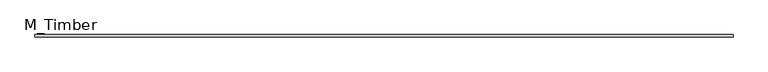
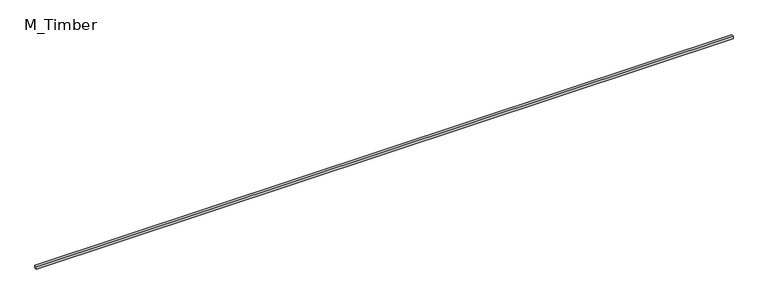
"""IFC4 building model written with IfcOpenShell, lengths in millimetres: beam geometry, M_Timber."""

import ifcopenshell
import ifcopenshell.guid

model = None  # the IFC model being written
_history = None  # IfcOwnerHistory: only IFC2X3 demands one
_inside = {}  # id of a spatial element -> (the spatial element, [elements in it])
_under = {}  # id of a project, library or spatial element -> (it, [spatial elements below it])
_declared = {}  # id of a project -> (the project, [libraries it declares])
_typed = {}  # id of a type object -> (the type object, [elements of that type])
_made_of = {}  # id of a material, layer set ... -> (it, [elements and type objects made of it])


def new_model(schema):
    """Start an empty IFC model of exactly this schema.

    Asked for "IFC4X3", IfcOpenShell would pick the latest addendum, in which some entities
    have other attributes; the version numbers below select the first issue.
    IFC2X3 requires an IfcOwnerHistory on every rooted entity: one is made here for all.
    """
    global model, _history
    if schema == "IFC4X3":
        model = ifcopenshell.file(schema_version=(4, 3, 0, 0))
    else:
        model = ifcopenshell.file(schema=schema)
    _inside.clear()
    _under.clear()
    _declared.clear()
    _typed.clear()
    _made_of.clear()
    _history = None
    if model.schema == "IFC2X3":
        org = make("IfcOrganization", Name="unknown")
        user = make(
            "IfcPersonAndOrganization",
            ThePerson=make("IfcPerson", FamilyName="unknown"),
            TheOrganization=org,
        )
        app = make(
            "IfcApplication",
            ApplicationDeveloper=org,
            Version="unknown",
            ApplicationFullName="unknown",
            ApplicationIdentifier="unknown",
        )
        _history = make(
            "IfcOwnerHistory",
            OwningUser=user,
            OwningApplication=app,
            ChangeAction="ADDED",
            CreationDate=0,
        )
    return model


def make(cls, **values):
    """One entity of the class cls with the attributes given. An attribute that is None is left unset."""
    return model.create_entity(
        cls, **{name: value for name, value in values.items() if value is not None}
    )


def rooted(cls, **values):
    """An entity with a GlobalId (a new one), such as an element, a storey or a relation."""
    return make(cls, GlobalId=ifcopenshell.guid.new(), OwnerHistory=_history, **values)


def si_unit(unit_type, name, prefix=None):
    """IfcSIUnit, for example si_unit("LENGTHUNIT", "METRE", prefix="MILLI")."""
    return make("IfcSIUnit", UnitType=unit_type, Prefix=prefix, Name=name)


def assignment(units):
    """IfcUnitAssignment: the units of a project."""
    return None if units is None else make("IfcUnitAssignment", Units=units)


def point(xyz):
    """IfcCartesianPoint."""
    return None if xyz is None else make("IfcCartesianPoint", Coordinates=xyz)


def direction(xyz):
    """IfcDirection."""
    return None if xyz is None else make("IfcDirection", DirectionRatios=xyz)


def frame(location, z_axis=None, x_axis=None):
    """IfcAxis2Placement3D, a coordinate frame: its origin and axes. An axis left out is left unset."""
    return make(
        "IfcAxis2Placement3D",
        Location=point(location),
        Axis=direction(z_axis),
        RefDirection=direction(x_axis),
    )


def origin():
    """The frame at (0, 0, 0) with its axes left unset."""
    return frame((0.0, 0.0, 0.0))


def place(relative_to, where):
    """IfcLocalPlacement: puts the frame where relative to a parent placement (None: the world)."""
    return make(
        "IfcLocalPlacement", PlacementRelTo=relative_to, RelativePlacement=where
    )


def context(
    kind, dimensions, precision=None, world=None, true_north=None, identifier=None
):
    """IfcGeometricRepresentationContext, for example the 3D "Model" context."""
    return make(
        "IfcGeometricRepresentationContext",
        ContextIdentifier=identifier,
        ContextType=kind,
        CoordinateSpaceDimension=dimensions,
        Precision=precision,
        WorldCoordinateSystem=world,
        TrueNorth=true_north,
    )


def project(units=None, contexts=None):
    """IfcProject with its units and contexts."""
    return rooted(
        "IfcProject",
        Name="project",
        RepresentationContexts=contexts,
        UnitsInContext=assignment(units),
    )


def spatial(cls, under=None, at=None, **own):
    """A site, building, storey or space (cls), placed at a placement, below another one or the project."""
    s = rooted(cls, ObjectPlacement=at, **own)
    if under is not None:
        _under.setdefault(under.id(), (under, []))[1].append(s)
    return s


def polyline(points):
    """IfcPolyline through the points."""
    return make("IfcPolyline", Points=[point(p) for p in points])


def outline(outer, holes=None, kind="AREA"):
    """IfcArbitraryClosedProfileDef: a profile drawn as a closed curve; with holes, ...WithVoids."""
    if holes is None:
        return make("IfcArbitraryClosedProfileDef", ProfileType=kind, OuterCurve=outer)
    return make(
        "IfcArbitraryProfileDefWithVoids",
        ProfileType=kind,
        OuterCurve=outer,
        InnerCurves=holes,
    )


def extrude(swept, where, along, depth):
    """IfcExtrudedAreaSolid: the profile swept, set in the frame where, extruded along a direction by depth."""
    return make(
        "IfcExtrudedAreaSolid",
        SweptArea=swept,
        Position=where,
        ExtrudedDirection=direction(along),
        Depth=depth,
    )


def shape(context_of_items, identifier, shape_type, items):
    """IfcShapeRepresentation: the items that make up one representation, for example the "Body"."""
    return make(
        "IfcShapeRepresentation",
        ContextOfItems=context_of_items,
        RepresentationIdentifier=identifier,
        RepresentationType=shape_type,
        Items=items,
    )


def source(mapping_origin, context_of_items, identifier, shape_type, items):
    """IfcRepresentationMap: a shape defined once, which mapped items show again and again."""
    return make(
        "IfcRepresentationMap",
        MappingOrigin=mapping_origin,
        MappedRepresentation=shape(context_of_items, identifier, shape_type, items),
    )


def transform(
    local_origin,
    x_axis=None,
    y_axis=None,
    z_axis=None,
    scale=None,
    scale2=None,
    scale3=None,
    uniform=True,
):
    """IfcCartesianTransformationOperator3D, or its non-uniform kind. x_axis, y_axis, z_axis: its Axis1, 2, 3."""
    if uniform:
        return make(
            "IfcCartesianTransformationOperator3D",
            Axis1=direction(x_axis),
            Axis2=direction(y_axis),
            LocalOrigin=point(local_origin),
            Scale=scale,
            Axis3=direction(z_axis),
        )
    return make(
        "IfcCartesianTransformationOperator3DnonUniform",
        Axis1=direction(x_axis),
        Axis2=direction(y_axis),
        LocalOrigin=point(local_origin),
        Scale=scale,
        Axis3=direction(z_axis),
        Scale2=scale2,
        Scale3=scale3,
    )


def mapped(mapping_source, mapping_target):
    """IfcMappedItem: shows the shape of a source again, moved by a transform."""
    return make(
        "IfcMappedItem", MappingSource=mapping_source, MappingTarget=mapping_target
    )


def made_of(thing, what):
    """Note that an element or type object is made of a material, layer set ...; save() writes the relation."""
    if what is not None:
        _made_of.setdefault(what.id(), (what, []))[1].append(thing)
    return thing


def element(
    cls,
    number,
    at=None,
    inside=None,
    cuts=None,
    type_object=None,
    material=None,
    context=None,
    identifier="Body",
    shape_type=None,
    held_by="IfcProductDefinitionShape",
    body=None,
    shapes=None,
    **own,
):
    """One element of the class cls, such as IfcWall. Its Tag is "e" and its number.

    at: its placement. inside: the storey or other place that contains it. cuts: it is an
    opening in that element (IfcRelVoidsElement). A single representation is given by context,
    identifier, shape_type and body (its items); several are given by shapes. held_by: the class
    of the entity that holds the representations. save() writes the other relations.
    """
    e = rooted(cls, Tag="e%d" % number, ObjectPlacement=at, **own)
    if body is not None:
        shapes = [shape(context, identifier, shape_type, body)]
    if shapes is not None:
        e.Representation = make(held_by, Representations=shapes)
    if inside is not None:
        _inside.setdefault(inside.id(), (inside, []))[1].append(e)
    if cuts is not None:
        rooted(
            "IfcRelVoidsElement", RelatingBuildingElement=cuts, RelatedOpeningElement=e
        )
    if type_object is not None:
        _typed.setdefault(type_object.id(), (type_object, []))[1].append(e)
    return made_of(e, material)


def aggregate(whole, parts):
    """IfcRelAggregates: a whole, such as a stair, and the parts it consists of."""
    return rooted("IfcRelAggregates", RelatingObject=whole, RelatedObjects=parts)


def save(model, path):
    """Write the relations noted so far, then the file.

    IfcRelAggregates (storeys below a building ...), IfcRelContainedInSpatialStructure (elements
    in a storey), IfcRelDefinesByType, IfcRelAssociatesMaterial and IfcRelDeclares: one each for
    every whole, place, type object, material and project.
    """
    for whole, parts in _under.values():
        aggregate(whole, parts)
    for where, things in _inside.values():
        rooted(
            "IfcRelContainedInSpatialStructure",
            RelatedElements=things,
            RelatingStructure=where,
        )
    for kind, things in _typed.values():
        rooted("IfcRelDefinesByType", RelatedObjects=things, RelatingType=kind)
    for what, things in _made_of.values():
        rooted("IfcRelAssociatesMaterial", RelatedObjects=things, RelatingMaterial=what)
    for by, libraries in _declared.values():
        rooted("IfcRelDeclares", RelatingContext=by, RelatedDefinitions=libraries)
    model.write(path)


def m_timber_bf1a7b2a(model_context):
    return source(origin(), model_context, "Body", "SweptSolid", [
        extrude(outline(polyline([(8198.039517, 30.0), (8198.039517, -30.0), (-8198.039517, -30.0), (-8198.039517, 30.0), (8198.039517, 30.0)])), frame((0.0, 0.0, -30.0), z_axis=(0.0, 0.0, 1.0), x_axis=(1.0, 0.0, 0.0)), (0.0, 0.0, 1.0), 60.0),
    ])


if __name__ == "__main__":
    model = new_model("IFC4")
    model_context = context("Model", 3, world=origin())
    ifc_project = project(units=[si_unit("LENGTHUNIT", "METRE", prefix="MILLI")], contexts=[model_context])
    site = spatial("IfcSite", under=ifc_project)
    building = spatial("IfcBuilding", under=site)
    placement = place(None, origin())
    m_timber_shape = m_timber_bf1a7b2a(model_context)
    element("IfcBeam", 1, ObjectType="M_Timber", at=placement, inside=building, context=model_context, shape_type="MappedRepresentation", body=[
        mapped(m_timber_shape, transform((0.0, 0.0, 0.0), x_axis=(1.0, 0.0, 0.0), y_axis=(0.0, 1.0, 0.0), z_axis=(0.0, 0.0, 1.0))),
    ])
    save(model, "model.ifc")
